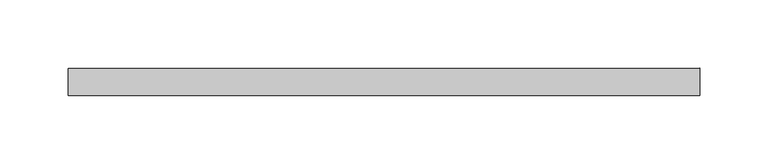
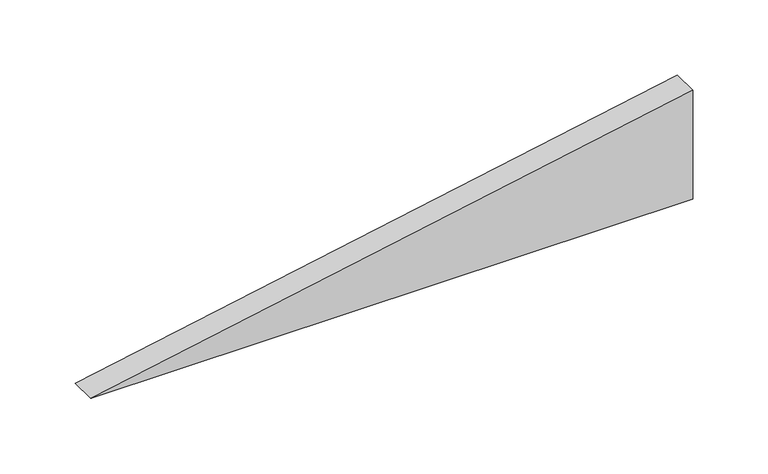
"""IFC4 building model written with IfcOpenShell, lengths in millimetres: plate geometry."""

from ifc_helpers import new_model, si_unit, frame, origin, place, context, project, spatial, polyline, outline, extrude, source, transform, mapped, element, save


def plate_e5e2737e(model_context):
    return source(origin(), model_context, "Body", "SweptSolid", [
        extrude(outline(polyline([(0.0, -230.3478851), (0.0, 230.3478851), (88.1331039, 230.3478851), (0.0, -230.3478851)])), frame((0.0, 20.0, 0.0), z_axis=(0.0, 1.0, 0.0), x_axis=(0.0, 0.0, 1.0)), (0.0, 0.0, 1.0), 20.0),
    ])


if __name__ == "__main__":
    model = new_model("IFC4")
    model_context = context("Model", 3, world=origin())
    ifc_project = project(units=[si_unit("LENGTHUNIT", "METRE", prefix="MILLI")], contexts=[model_context])
    site = spatial("IfcSite", under=ifc_project)
    building = spatial("IfcBuilding", under=site)
    placement = place(None, origin())
    plate_shape = plate_e5e2737e(model_context)
    element("IfcPlate", 1, at=placement, inside=building, context=model_context, shape_type="MappedRepresentation", body=[
        mapped(plate_shape, transform((0.0, 0.0, 0.0), x_axis=(1.0, 0.0, 0.0), y_axis=(0.0, 1.0, 0.0), z_axis=(0.0, 0.0, 1.0))),
    ])
    save(model, "model.ifc")
